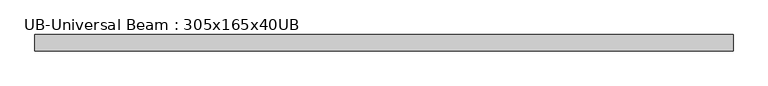
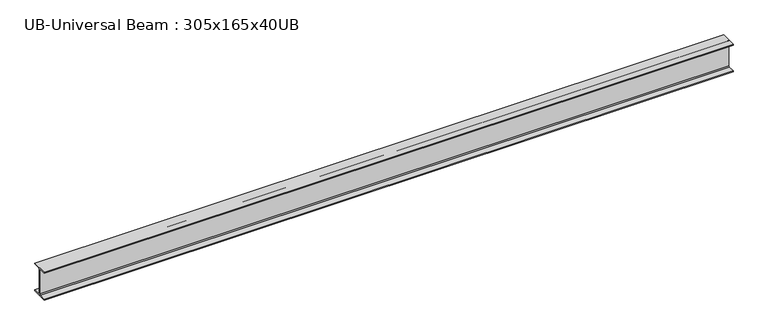
"""IFC4 building model written with IfcOpenShell, lengths in millimetres: beam geometry, UB-Universal Beam : 305x165x40UB."""

from ifc_helpers import new_model, si_unit, point, frame, frame_2d, origin, place, context, project, spatial, polyline, circle_curve, trimmed, segment, composite_curve, outline, extrude, source, transform, mapped, element, save


def ub_universal_beam_305x165x40ub_03839dfd(model_context):
    return source(origin(), model_context, "Body", "SweptSolid", [
        extrude(outline(composite_curve([segment(polyline([(82.5, -141.5), (82.5, -151.7), (-82.5, -151.7), (-82.5, -141.5), (-11.9, -141.5)]), True, "CONTINUOUS"), segment(trimmed(circle_curve(frame_2d((-11.9, -132.6)), 8.9), [point((-11.9, -141.5))], [point((-3.0, -132.6))], True, "CARTESIAN"), True, "CONTINUOUS"), segment(polyline([(-3.0, -132.6), (-3.0, 132.6)]), True, "CONTINUOUS"), segment(trimmed(circle_curve(frame_2d((-11.9, 132.6)), 8.9), [point((-3.0, 132.6))], [point((-11.9, 141.5))], True, "CARTESIAN"), True, "CONTINUOUS"), segment(polyline([(-11.9, 141.5), (-82.5, 141.5), (-82.5, 151.7), (82.5, 151.7), (82.5, 141.5), (11.9, 141.5)]), True, "CONTINUOUS"), segment(trimmed(circle_curve(frame_2d((11.9, 132.6)), 8.9), [point((11.9, 141.5))], [point((3.0, 132.6))], True, "CARTESIAN"), True, "CONTINUOUS"), segment(polyline([(3.0, 132.6), (3.0, -132.6)]), True, "CONTINUOUS"), segment(trimmed(circle_curve(frame_2d((11.9, -132.6)), 8.9), [point((3.0, -132.6))], [point((11.9, -141.5))], True, "CARTESIAN"), True, "CONTINUOUS"), segment(polyline([(11.9, -141.5), (82.5, -141.5)]), True, "CONTINUOUS")], self_intersect=False)), frame((-3555.3, 0.0, 0.0), z_axis=(1.0, 0.0, 0.0), x_axis=(0.0, 1.0, 0.0)), (0.0, 0.0, 1.0), 7110.6),
    ])


if __name__ == "__main__":
    model = new_model("IFC4")
    model_context = context("Model", 3, world=origin())
    ifc_project = project(units=[si_unit("LENGTHUNIT", "METRE", prefix="MILLI")], contexts=[model_context])
    site = spatial("IfcSite", under=ifc_project)
    building = spatial("IfcBuilding", under=site)
    placement = place(None, origin())
    ub_universal_beam_305x165x40ub_shape = ub_universal_beam_305x165x40ub_03839dfd(model_context)
    element("IfcBeam", 1, ObjectType="UB-Universal Beam : 305x165x40UB", at=placement, inside=building, context=model_context, shape_type="MappedRepresentation", body=[
        mapped(ub_universal_beam_305x165x40ub_shape, transform((0.0, 0.0, 0.0), x_axis=(1.0, 0.0, 0.0), y_axis=(0.0, 1.0, 0.0), z_axis=(0.0, 0.0, 1.0))),
    ])
    save(model, "model.ifc")
